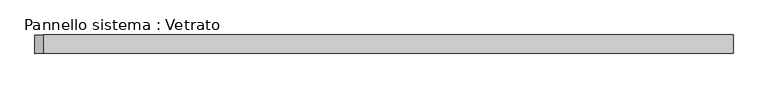
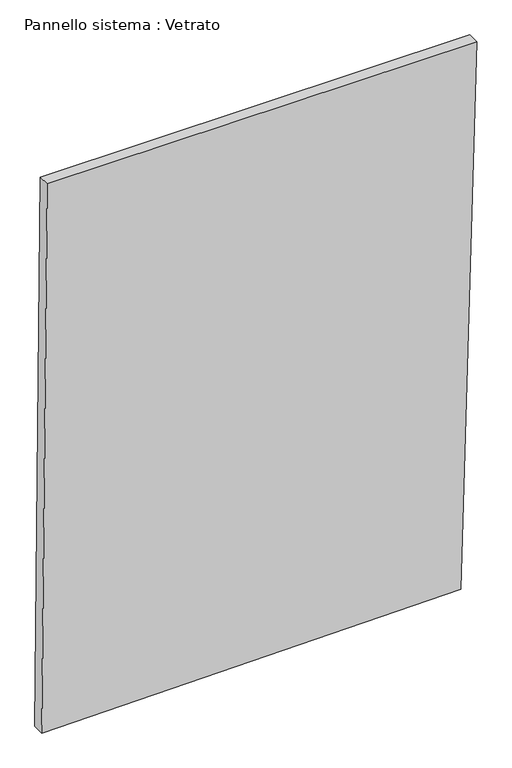
"""IFC4 building model written with IfcOpenShell, lengths in millimetres: plate geometry, Pannello sistema : Vetrato."""

from ifc_helpers import new_model, si_unit, frame, origin, place, context, project, spatial, polyline, outline, extrude, source, transform, mapped, element, save


def pannello_sistema_vetrato_79b992ed(model_context):
    return source(origin(), model_context, "Body", "SweptSolid", [
        extrude(outline(polyline([(0.0, -564.1918513), (14.3154835, 523.3002665), (1501.1043693, 564.1918513), (1501.1043769, -549.7733508), (0.0, -564.1918513)])), frame((0.0, -15.0, 0.0), z_axis=(0.0, 1.0, 0.0), x_axis=(0.0, 0.0, 1.0)), (0.0, 0.0, 1.0), 30.0),
    ])


if __name__ == "__main__":
    model = new_model("IFC4")
    model_context = context("Model", 3, world=origin())
    ifc_project = project(units=[si_unit("LENGTHUNIT", "METRE", prefix="MILLI")], contexts=[model_context])
    site = spatial("IfcSite", under=ifc_project)
    building = spatial("IfcBuilding", under=site)
    placement = place(None, origin())
    pannello_sistema_vetrato_shape = pannello_sistema_vetrato_79b992ed(model_context)
    element("IfcPlate", 1, ObjectType="Pannello sistema : Vetrato", at=placement, inside=building, context=model_context, shape_type="MappedRepresentation", body=[
        mapped(pannello_sistema_vetrato_shape, transform((0.0, 0.0, 0.0), x_axis=(1.0, 0.0, 0.0), y_axis=(0.0, 1.0, 0.0), z_axis=(0.0, 0.0, 1.0))),
    ])
    save(model, "model.ifc")
